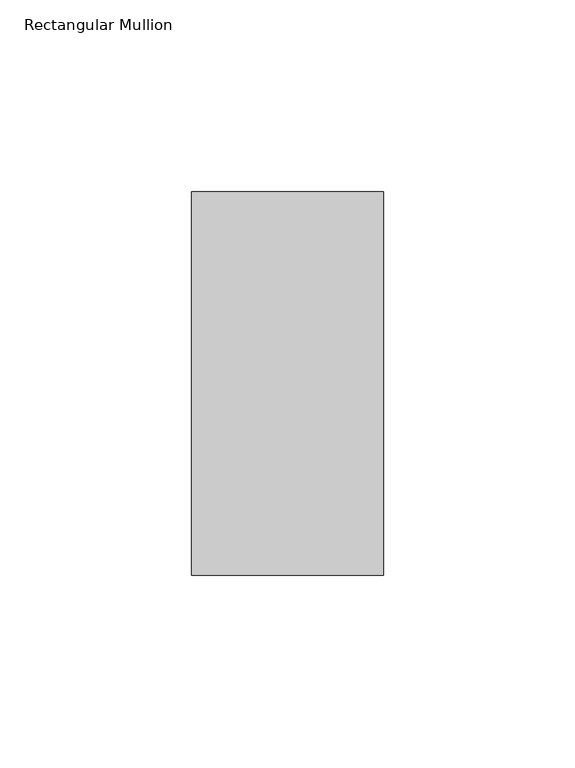
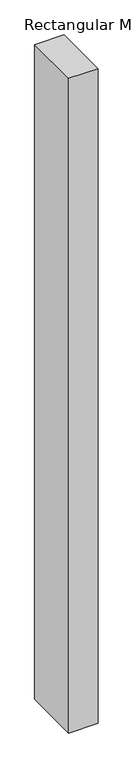
"""IFC4 building model written with IfcOpenShell, lengths in millimetres: member geometry, Rectangular Mullion."""

from ifc_helpers import new_model, si_unit, frame, origin, place, context, project, spatial, polyline, outline, extrude, source, transform, mapped, element, save


def rectangular_mullion_ca016f10(model_context):
    return source(origin(), model_context, "Body", "SweptSolid", [
        extrude(outline(polyline([(25.0, 69.0), (25.0, -31.0), (-25.0, -31.0), (-25.0, 69.0), (25.0, 69.0)])), frame((0.0, 0.0, -1175.0), z_axis=(0.0, 0.0, 1.0), x_axis=(1.0, 0.0, 0.0)), (0.0, 0.0, 1.0), 1175.0),
    ])


if __name__ == "__main__":
    model = new_model("IFC4")
    model_context = context("Model", 3, world=origin())
    ifc_project = project(units=[si_unit("LENGTHUNIT", "METRE", prefix="MILLI")], contexts=[model_context])
    site = spatial("IfcSite", under=ifc_project)
    building = spatial("IfcBuilding", under=site)
    placement = place(None, origin())
    rectangular_mullion_shape = rectangular_mullion_ca016f10(model_context)
    element("IfcMember", 1, ObjectType="Rectangular Mullion", at=placement, inside=building, context=model_context, shape_type="MappedRepresentation", body=[
        mapped(rectangular_mullion_shape, transform((0.0, 0.0, 0.0), x_axis=(1.0, 0.0, 0.0), y_axis=(0.0, 1.0, 0.0), z_axis=(0.0, 0.0, 1.0))),
    ])
    save(model, "model.ifc")
